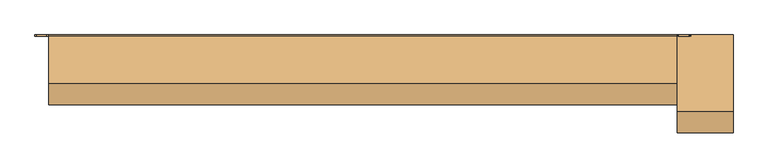
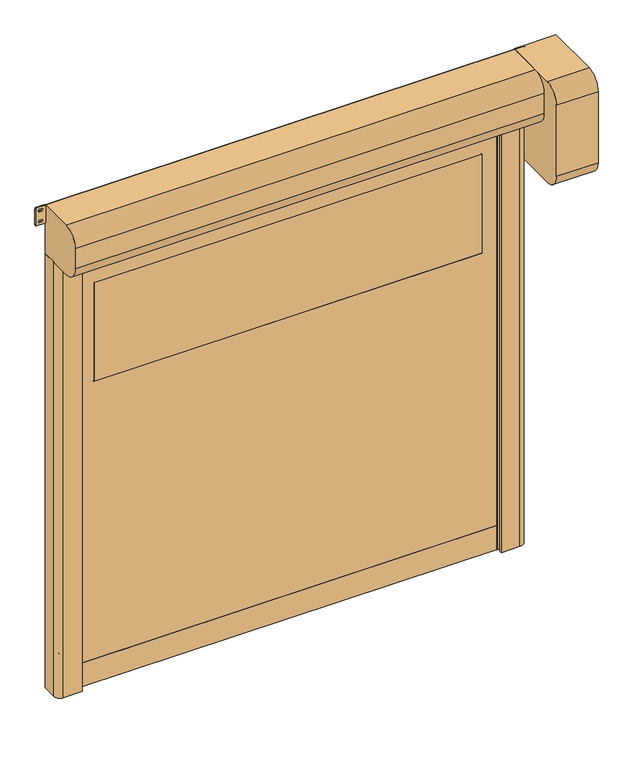
"""IFC4 building model written with IfcOpenShell, lengths in millimetres: door geometry."""

from ifc_helpers import new_model, si_unit, point, frame, frame_2d, origin, origin_with_axes, place, context, project, spatial, polyline, circle_curve, trimmed, segment, composite_curve, outline, extrude, source, transform, mapped, element, save


def door_73d46575(model_context):
    return source(origin(), model_context, "Body", "SweptSolid", [
        extrude(outline(composite_curve([segment(trimmed(circle_curve(frame_2d((1416.6666667, 1064.0)), 6.0), [point((1422.6666667, 1064.0))], [point((1410.6666667, 1064.0))], False, "CARTESIAN"), True, "CONTINUOUS"), segment(polyline([(1410.6666667, 1064.0), (1410.6666667, 1082.0)]), True, "CONTINUOUS"), segment(trimmed(circle_curve(frame_2d((1416.6666667, 1082.0)), 6.0), [point((1410.6666667, 1082.0))], [point((1422.6666667, 1082.0))], False, "CARTESIAN"), True, "CONTINUOUS"), segment(polyline([(1422.6666667, 1082.0), (1422.6666667, 1064.0)]), True, "CONTINUOUS")], self_intersect=False)), frame((0.0, -20.0, 0.0), z_axis=(0.0, 1.0, 0.0), x_axis=(0.0, 0.0, 1.0)), (0.0, 0.0, 1.0), 20.0),
        extrude(outline(composite_curve([segment(trimmed(circle_curve(frame_2d((783.3333333, 1064.0)), 6.0), [point((789.3333333, 1064.0))], [point((777.3333333, 1064.0))], False, "CARTESIAN"), True, "CONTINUOUS"), segment(polyline([(777.3333333, 1064.0), (777.3333333, 1082.0)]), True, "CONTINUOUS"), segment(trimmed(circle_curve(frame_2d((783.3333333, 1082.0)), 6.0), [point((777.3333333, 1082.0))], [point((789.3333333, 1082.0))], False, "CARTESIAN"), True, "CONTINUOUS"), segment(polyline([(789.3333333, 1082.0), (789.3333333, 1064.0)]), True, "CONTINUOUS")], self_intersect=False)), frame((0.0, -20.0, 0.0), z_axis=(0.0, 1.0, 0.0), x_axis=(0.0, 0.0, 1.0)), (0.0, 0.0, 1.0), 20.0),
        extrude(outline(composite_curve([segment(trimmed(circle_curve(frame_2d((2050.0, 1064.0)), 6.0), [point((2056.0, 1064.0))], [point((2044.0, 1064.0))], False, "CARTESIAN"), True, "CONTINUOUS"), segment(polyline([(2044.0, 1064.0), (2044.0, 1082.0)]), True, "CONTINUOUS"), segment(trimmed(circle_curve(frame_2d((2050.0, 1082.0)), 6.0), [point((2044.0, 1082.0))], [point((2056.0, 1082.0))], False, "CARTESIAN"), True, "CONTINUOUS"), segment(polyline([(2056.0, 1082.0), (2056.0, 1064.0)]), True, "CONTINUOUS")], self_intersect=False)), frame((0.0, -20.0, 0.0), z_axis=(0.0, 1.0, 0.0), x_axis=(0.0, 0.0, 1.0)), (0.0, 0.0, 1.0), 20.0),
        extrude(outline(composite_curve([segment(trimmed(circle_curve(frame_2d((150.0, 1064.0)), 6.0), [point((156.0, 1064.0))], [point((144.0, 1064.0))], False, "CARTESIAN"), True, "CONTINUOUS"), segment(polyline([(144.0, 1064.0), (144.0, 1082.0)]), True, "CONTINUOUS"), segment(trimmed(circle_curve(frame_2d((150.0, 1082.0)), 6.0), [point((144.0, 1082.0))], [point((156.0, 1082.0))], False, "CARTESIAN"), True, "CONTINUOUS"), segment(polyline([(156.0, 1082.0), (156.0, 1064.0)]), True, "CONTINUOUS")], self_intersect=False)), frame((0.0, -20.0, 0.0), z_axis=(0.0, 1.0, 0.0), x_axis=(0.0, 0.0, 1.0)), (0.0, 0.0, 1.0), 20.0),
        extrude(outline(composite_curve([segment(polyline([(1422.6666667, -1064.0), (1422.6666667, -1082.0)]), True, "CONTINUOUS"), segment(trimmed(circle_curve(frame_2d((1416.6666667, -1082.0)), 6.0), [point((1422.6666667, -1082.0))], [point((1410.6666667, -1082.0))], False, "CARTESIAN"), True, "CONTINUOUS"), segment(polyline([(1410.6666667, -1082.0), (1410.6666667, -1064.0)]), True, "CONTINUOUS"), segment(trimmed(circle_curve(frame_2d((1416.6666667, -1064.0)), 6.0), [point((1410.6666667, -1064.0))], [point((1422.6666667, -1064.0))], False, "CARTESIAN"), True, "CONTINUOUS")], self_intersect=False)), frame((0.0, -20.0, 0.0), z_axis=(0.0, 1.0, 0.0), x_axis=(0.0, 0.0, 1.0)), (0.0, 0.0, 1.0), 20.0),
        extrude(outline(composite_curve([segment(polyline([(789.3333333, -1064.0), (789.3333333, -1082.0)]), True, "CONTINUOUS"), segment(trimmed(circle_curve(frame_2d((783.3333333, -1082.0)), 6.0), [point((789.3333333, -1082.0))], [point((777.3333333, -1082.0))], False, "CARTESIAN"), True, "CONTINUOUS"), segment(polyline([(777.3333333, -1082.0), (777.3333333, -1064.0)]), True, "CONTINUOUS"), segment(trimmed(circle_curve(frame_2d((783.3333333, -1064.0)), 6.0), [point((777.3333333, -1064.0))], [point((789.3333333, -1064.0))], False, "CARTESIAN"), True, "CONTINUOUS")], self_intersect=False)), frame((0.0, -20.0, 0.0), z_axis=(0.0, 1.0, 0.0), x_axis=(0.0, 0.0, 1.0)), (0.0, 0.0, 1.0), 20.0),
        extrude(outline(composite_curve([segment(polyline([(2056.0, -1064.0), (2056.0, -1082.0)]), True, "CONTINUOUS"), segment(trimmed(circle_curve(frame_2d((2050.0, -1082.0)), 6.0), [point((2056.0, -1082.0))], [point((2044.0, -1082.0))], False, "CARTESIAN"), True, "CONTINUOUS"), segment(polyline([(2044.0, -1082.0), (2044.0, -1064.0)]), True, "CONTINUOUS"), segment(trimmed(circle_curve(frame_2d((2050.0, -1064.0)), 6.0), [point((2044.0, -1064.0))], [point((2056.0, -1064.0))], False, "CARTESIAN"), True, "CONTINUOUS")], self_intersect=False)), frame((0.0, -20.0, 0.0), z_axis=(0.0, 1.0, 0.0), x_axis=(0.0, 0.0, 1.0)), (0.0, 0.0, 1.0), 20.0),
        extrude(outline(composite_curve([segment(polyline([(156.0, -1064.0), (156.0, -1082.0)]), True, "CONTINUOUS"), segment(trimmed(circle_curve(frame_2d((150.0, -1082.0)), 6.0), [point((156.0, -1082.0))], [point((144.0, -1082.0))], False, "CARTESIAN"), True, "CONTINUOUS"), segment(polyline([(144.0, -1082.0), (144.0, -1064.0)]), True, "CONTINUOUS"), segment(trimmed(circle_curve(frame_2d((150.0, -1064.0)), 6.0), [point((144.0, -1064.0))], [point((156.0, -1064.0))], False, "CARTESIAN"), True, "CONTINUOUS")], self_intersect=False)), frame((0.0, -20.0, 0.0), z_axis=(0.0, 1.0, 0.0), x_axis=(0.0, 0.0, 1.0)), (0.0, 0.0, 1.0), 20.0),
        extrude(outline(composite_curve([segment(trimmed(circle_curve(frame_2d((1526.0, 929.0)), 1.0), [point((1525.0, 929.0))], [point((1526.0, 930.0))], False, "CARTESIAN"), True, "CONTINUOUS"), segment(polyline([(1526.0, 930.0), (2024.0, 930.0)]), True, "CONTINUOUS"), segment(trimmed(circle_curve(frame_2d((2024.0, 929.0)), 1.0), [point((2024.0, 930.0))], [point((2025.0, 929.0))], False, "CARTESIAN"), True, "CONTINUOUS"), segment(polyline([(2025.0, 929.0), (2025.0, -929.0)]), True, "CONTINUOUS"), segment(trimmed(circle_curve(frame_2d((2024.0, -929.0)), 1.0), [point((2025.0, -929.0))], [point((2024.0, -930.0))], False, "CARTESIAN"), True, "CONTINUOUS"), segment(polyline([(2024.0, -930.0), (1526.0, -930.0)]), True, "CONTINUOUS"), segment(trimmed(circle_curve(frame_2d((1526.0, -929.0)), 1.0), [point((1526.0, -930.0))], [point((1525.0, -929.0))], False, "CARTESIAN"), True, "CONTINUOUS"), segment(polyline([(1525.0, -929.0), (1525.0, 929.0)]), True, "CONTINUOUS")], self_intersect=False)), frame((0.0, -68.5, 0.0), z_axis=(0.0, 1.0, 0.0), x_axis=(0.0, 0.0, 1.0)), (0.0, 0.0, 1.0), 7.0),
        extrude(outline(polyline([(120.0, -1012.0), (120.0, 1012.0), (2325.0, 1012.0), (2325.0, -1012.0), (120.0, -1012.0)]), holes=[composite_curve([segment(trimmed(circle_curve(frame_2d((1526.0, 929.0)), 1.0), [point((1526.0, 930.0))], [point((1525.0, 929.0))], True, "CARTESIAN"), True, "CONTINUOUS"), segment(polyline([(1525.0, 929.0), (1525.0, -929.0)]), True, "CONTINUOUS"), segment(trimmed(circle_curve(frame_2d((1526.0, -929.0)), 1.0), [point((1525.0, -929.0))], [point((1526.0, -930.0))], True, "CARTESIAN"), True, "CONTINUOUS"), segment(polyline([(1526.0, -930.0), (2024.0, -930.0)]), True, "CONTINUOUS"), segment(trimmed(circle_curve(frame_2d((2024.0, -929.0)), 1.0), [point((2024.0, -930.0))], [point((2025.0, -929.0))], True, "CARTESIAN"), True, "CONTINUOUS"), segment(polyline([(2025.0, -929.0), (2025.0, 929.0)]), True, "CONTINUOUS"), segment(trimmed(circle_curve(frame_2d((2024.0, 929.0)), 1.0), [point((2025.0, 929.0))], [point((2024.0, 930.0))], True, "CARTESIAN"), True, "CONTINUOUS"), segment(polyline([(2024.0, 930.0), (1526.0, 930.0)]), True, "CONTINUOUS")], self_intersect=False)]), frame((0.0, -68.5, 0.0), z_axis=(0.0, 1.0, 0.0), x_axis=(0.0, 0.0, 1.0)), (0.0, 0.0, 1.0), 7.0),
        extrude(outline(polyline([(-1012.0, -59.5), (1012.0, -59.5), (1012.0, -70.5), (-1012.0, -70.5), (-1012.0, -59.5)])), origin_with_axes(), (0.0, 0.0, 1.0), 120.0),
        extrude(outline(composite_curve([segment(trimmed(circle_curve(frame_2d((2363.75, 1130.75)), 5.75), [point((2363.75, 1125.0))], [point((2358.0, 1130.75))], False, "CARTESIAN"), True, "CONTINUOUS"), segment(polyline([(2358.0, 1130.75), (2358.0, 1168.25)]), True, "CONTINUOUS"), segment(trimmed(circle_curve(frame_2d((2363.75, 1168.25)), 5.75), [point((2358.0, 1168.25))], [point((2363.75, 1174.0))], False, "CARTESIAN"), True, "CONTINUOUS"), segment(polyline([(2363.75, 1174.0), (2444.25, 1174.0)]), True, "CONTINUOUS"), segment(trimmed(circle_curve(frame_2d((2444.25, 1168.25)), 5.75), [point((2444.25, 1174.0))], [point((2450.0, 1168.25))], False, "CARTESIAN"), True, "CONTINUOUS"), segment(polyline([(2450.0, 1168.25), (2450.0, 1130.75)]), True, "CONTINUOUS"), segment(trimmed(circle_curve(frame_2d((2444.25, 1130.75)), 5.75), [point((2450.0, 1130.75))], [point((2444.25, 1125.0))], False, "CARTESIAN"), True, "CONTINUOUS"), segment(polyline([(2444.25, 1125.0), (2363.75, 1125.0)]), True, "CONTINUOUS")], self_intersect=False), holes=[composite_curve([segment(trimmed(circle_curve(frame_2d((2431.5, 1153.75)), 5.75), [point((2437.25, 1153.75))], [point((2425.75, 1153.75))], True, "CARTESIAN"), True, "CONTINUOUS"), segment(polyline([(2425.75, 1153.75), (2425.75, 1145.25)]), True, "CONTINUOUS"), segment(trimmed(circle_curve(frame_2d((2431.5, 1145.25)), 5.75), [point((2425.75, 1145.25))], [point((2437.25, 1145.25))], True, "CARTESIAN"), True, "CONTINUOUS"), segment(polyline([(2437.25, 1145.25), (2437.25, 1153.75)]), True, "CONTINUOUS")], self_intersect=False), composite_curve([segment(trimmed(circle_curve(frame_2d((2376.5, 1153.75)), 5.75), [point((2382.25, 1153.75))], [point((2370.75, 1153.75))], True, "CARTESIAN"), True, "CONTINUOUS"), segment(polyline([(2370.75, 1153.75), (2370.75, 1145.25)]), True, "CONTINUOUS"), segment(trimmed(circle_curve(frame_2d((2376.5, 1145.25)), 5.75), [point((2370.75, 1145.25))], [point((2382.25, 1145.25))], True, "CARTESIAN"), True, "CONTINUOUS"), segment(polyline([(2382.25, 1145.25), (2382.25, 1153.75)]), True, "CONTINUOUS")], self_intersect=False)]), frame((0.0, -5.0, 0.0), z_axis=(0.0, 1.0, 0.0), x_axis=(0.0, 0.0, 1.0)), (0.0, 0.0, 1.0), 5.0),
        extrude(outline(composite_curve([segment(trimmed(circle_curve(frame_2d((2363.75, -1168.25)), 5.75), [point((2363.75, -1174.0))], [point((2358.0, -1168.25))], False, "CARTESIAN"), True, "CONTINUOUS"), segment(polyline([(2358.0, -1168.25), (2358.0, -1130.75)]), True, "CONTINUOUS"), segment(trimmed(circle_curve(frame_2d((2363.75, -1130.75)), 5.75), [point((2358.0, -1130.75))], [point((2363.75, -1125.0))], False, "CARTESIAN"), True, "CONTINUOUS"), segment(polyline([(2363.75, -1125.0), (2444.25, -1125.0)]), True, "CONTINUOUS"), segment(trimmed(circle_curve(frame_2d((2444.25, -1130.75)), 5.75), [point((2444.25, -1125.0))], [point((2450.0, -1130.75))], False, "CARTESIAN"), True, "CONTINUOUS"), segment(polyline([(2450.0, -1130.75), (2450.0, -1168.25)]), True, "CONTINUOUS"), segment(trimmed(circle_curve(frame_2d((2444.25, -1168.25)), 5.75), [point((2450.0, -1168.25))], [point((2444.25, -1174.0))], False, "CARTESIAN"), True, "CONTINUOUS"), segment(polyline([(2444.25, -1174.0), (2363.75, -1174.0)]), True, "CONTINUOUS")], self_intersect=False), holes=[composite_curve([segment(trimmed(circle_curve(frame_2d((2431.5, -1145.25)), 5.75), [point((2437.25, -1145.25))], [point((2425.75, -1145.25))], True, "CARTESIAN"), True, "CONTINUOUS"), segment(polyline([(2425.75, -1145.25), (2425.75, -1153.75)]), True, "CONTINUOUS"), segment(trimmed(circle_curve(frame_2d((2431.5, -1153.75)), 5.75), [point((2425.75, -1153.75))], [point((2437.25, -1153.75))], True, "CARTESIAN"), True, "CONTINUOUS"), segment(polyline([(2437.25, -1153.75), (2437.25, -1145.25)]), True, "CONTINUOUS")], self_intersect=False), composite_curve([segment(trimmed(circle_curve(frame_2d((2376.5, -1145.25)), 5.75), [point((2382.25, -1145.25))], [point((2370.75, -1145.25))], True, "CARTESIAN"), True, "CONTINUOUS"), segment(polyline([(2370.75, -1145.25), (2370.75, -1153.75)]), True, "CONTINUOUS"), segment(trimmed(circle_curve(frame_2d((2376.5, -1153.75)), 5.75), [point((2370.75, -1153.75))], [point((2382.25, -1153.75))], True, "CARTESIAN"), True, "CONTINUOUS"), segment(polyline([(2382.25, -1153.75), (2382.25, -1145.25)]), True, "CONTINUOUS")], self_intersect=False)]), frame((0.0, -5.0, 0.0), z_axis=(0.0, 1.0, 0.0), x_axis=(0.0, 0.0, 1.0)), (0.0, 0.0, 1.0), 5.0),
        extrude(outline(composite_curve([segment(polyline([(-1125.0, 0.0), (-1015.0, 0.0), (-1015.0, -49.2857143), (-1035.0, -55.0), (-1000.0, -55.0), (-1000.0, -61.5), (-1020.0, -61.5), (-1020.0, -68.5), (-1000.0, -68.5), (-1000.0, -75.0), (-1035.0, -75.0), (-1035.0, -90.0), (-1005.0, -90.0), (-1005.0, -100.0), (-1095.0, -100.0)]), True, "CONTINUOUS"), segment(trimmed(circle_curve(frame_2d((-1095.0, -70.0)), 30.0), [point((-1095.0, -100.0))], [point((-1125.0, -70.0))], False, "CARTESIAN"), True, "CONTINUOUS"), segment(polyline([(-1125.0, -70.0), (-1125.0, 0.0)]), True, "CONTINUOUS")], self_intersect=False)), origin_with_axes(), (0.0, 0.0, 1.0), 2200.0),
        extrude(outline(composite_curve([segment(polyline([(1125.0, 0.0), (1125.0, -70.0)]), True, "CONTINUOUS"), segment(trimmed(circle_curve(frame_2d((1095.0, -70.0)), 30.0), [point((1125.0, -70.0))], [point((1095.0, -100.0))], False, "CARTESIAN"), True, "CONTINUOUS"), segment(polyline([(1095.0, -100.0), (1005.0, -100.0), (1005.0, -90.0), (1035.0, -90.0), (1035.0, -75.0), (1000.0, -75.0), (1000.0, -68.5), (1020.0, -68.5), (1020.0, -61.5), (1000.0, -61.5), (1000.0, -55.0), (1035.0, -55.0), (1015.0, -49.2857143), (1015.0, 0.0), (1125.0, 0.0)]), True, "CONTINUOUS")], self_intersect=False)), origin_with_axes(), (0.0, 0.0, 1.0), 2200.0),
        extrude(outline(composite_curve([segment(polyline([(0.0, 2450.0), (0.0, 1940.0), (-275.0, 1940.0)]), True, "CONTINUOUS"), segment(trimmed(circle_curve(frame_2d((-275.0, 2015.0)), 75.0), [point((-275.0, 1940.0))], [point((-350.0, 2015.0))], False, "CARTESIAN"), True, "CONTINUOUS"), segment(polyline([(-350.0, 2015.0), (-350.0, 2375.0)]), True, "CONTINUOUS"), segment(trimmed(circle_curve(frame_2d((-275.0, 2375.0)), 75.0), [point((-350.0, 2375.0))], [point((-275.0, 2450.0))], False, "CARTESIAN"), True, "CONTINUOUS"), segment(polyline([(-275.0, 2450.0), (0.0, 2450.0)]), True, "CONTINUOUS")], self_intersect=False)), frame((1125.0, 0.0, 0.0), z_axis=(1.0, 0.0, 0.0), x_axis=(0.0, 1.0, 0.0)), (0.0, 0.0, 1.0), 200.0),
        extrude(outline(composite_curve([segment(trimmed(circle_curve(frame_2d((-5.0, 2205.0)), 5.0), [point((0.0, 2205.0))], [point((-5.0, 2200.0))], False, "CARTESIAN"), True, "CONTINUOUS"), segment(polyline([(-5.0, 2200.0), (-175.0, 2200.0)]), True, "CONTINUOUS"), segment(trimmed(circle_curve(frame_2d((-175.0, 2275.0)), 75.0), [point((-175.0, 2200.0))], [point((-250.0, 2275.0))], False, "CARTESIAN"), True, "CONTINUOUS"), segment(polyline([(-250.0, 2275.0), (-250.0, 2375.0)]), True, "CONTINUOUS"), segment(trimmed(circle_curve(frame_2d((-175.0, 2375.0)), 75.0), [point((-250.0, 2375.0))], [point((-175.0, 2450.0))], False, "CARTESIAN"), True, "CONTINUOUS"), segment(polyline([(-175.0, 2450.0), (-5.0, 2450.0)]), True, "CONTINUOUS"), segment(trimmed(circle_curve(frame_2d((-5.0, 2445.0)), 5.0), [point((-5.0, 2450.0))], [point((0.0, 2445.0))], False, "CARTESIAN"), True, "CONTINUOUS"), segment(polyline([(0.0, 2445.0), (0.0, 2205.0)]), True, "CONTINUOUS")], self_intersect=False)), frame((-1125.0, 0.0, 0.0), z_axis=(1.0, 0.0, 0.0), x_axis=(0.0, 1.0, 0.0)), (0.0, 0.0, 1.0), 2250.0),
    ])


if __name__ == "__main__":
    model = new_model("IFC4")
    model_context = context("Model", 3, world=origin())
    ifc_project = project(units=[si_unit("LENGTHUNIT", "METRE", prefix="MILLI")], contexts=[model_context])
    site = spatial("IfcSite", under=ifc_project)
    building = spatial("IfcBuilding", under=site)
    placement = place(None, origin())
    door_shape = door_73d46575(model_context)
    element("IfcDoor", 1, at=placement, inside=building, context=model_context, shape_type="MappedRepresentation", body=[
        mapped(door_shape, transform((0.0, 0.0, 0.0), x_axis=(1.0, 0.0, 0.0), y_axis=(0.0, 1.0, 0.0), z_axis=(0.0, 0.0, 1.0))),
    ])
    save(model, "model.ifc")
